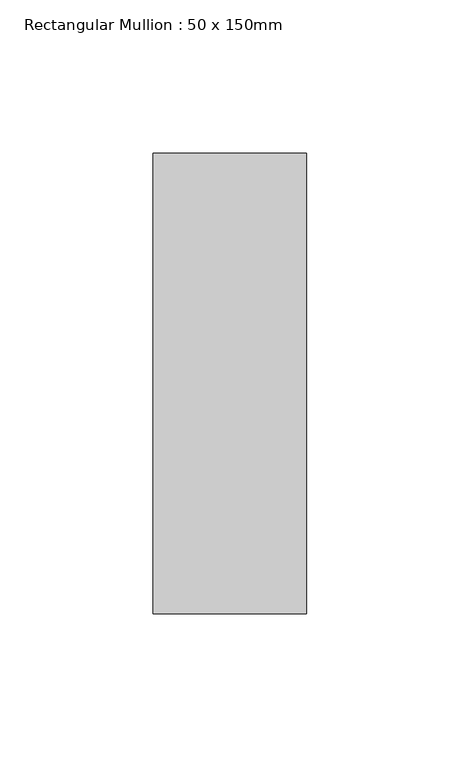
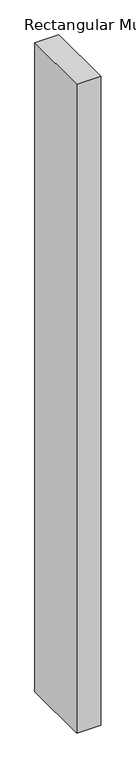
"""IFC4 building model written with IfcOpenShell, lengths in millimetres: member geometry, Rectangular Mullion : 50 x 150mm."""

from ifc_helpers import new_model, si_unit, frame, origin, place, context, project, spatial, polyline, outline, extrude, source, transform, mapped, element, save


def rectangular_mullion_50_x_150mm_27298aca(model_context):
    return source(origin(), model_context, "Body", "SweptSolid", [
        extrude(outline(polyline([(25.0, 75.0), (25.0, -75.0), (-25.0, -75.0), (-25.0, 75.0), (25.0, 75.0)])), frame((0.0, 0.0, -1423.6842105), z_axis=(0.0, 0.0, 1.0), x_axis=(1.0, 0.0, 0.0)), (0.0, 0.0, 1.0), 1423.6842105),
    ])


if __name__ == "__main__":
    model = new_model("IFC4")
    model_context = context("Model", 3, world=origin())
    ifc_project = project(units=[si_unit("LENGTHUNIT", "METRE", prefix="MILLI")], contexts=[model_context])
    site = spatial("IfcSite", under=ifc_project)
    building = spatial("IfcBuilding", under=site)
    placement = place(None, origin())
    rectangular_mullion_50_x_150mm_shape = rectangular_mullion_50_x_150mm_27298aca(model_context)
    element("IfcMember", 1, ObjectType="Rectangular Mullion : 50 x 150mm", at=placement, inside=building, context=model_context, shape_type="MappedRepresentation", body=[
        mapped(rectangular_mullion_50_x_150mm_shape, transform((0.0, 0.0, 0.0), x_axis=(1.0, 0.0, 0.0), y_axis=(0.0, 1.0, 0.0), z_axis=(0.0, 0.0, 1.0))),
    ])
    save(model, "model.ifc")
